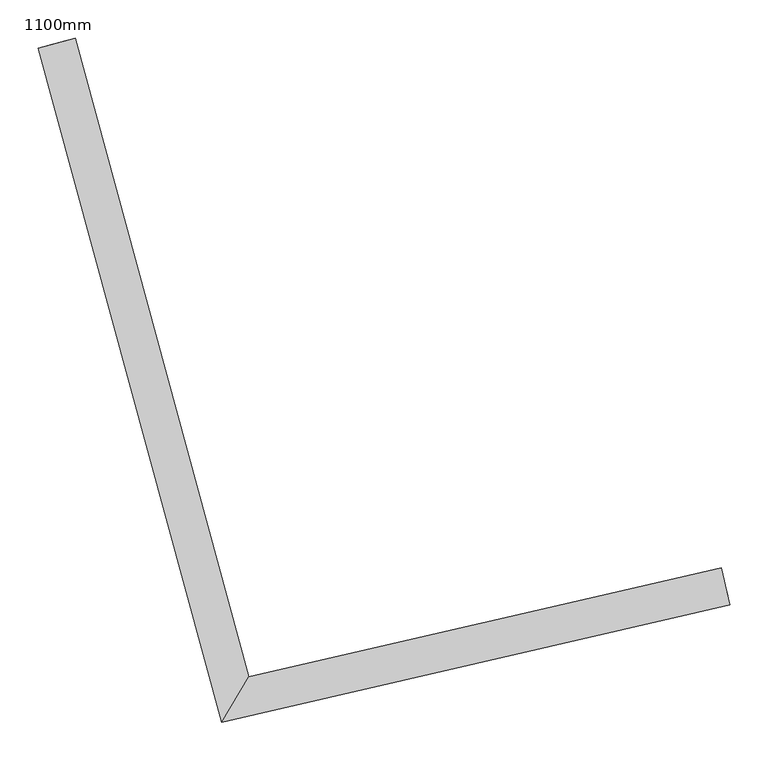
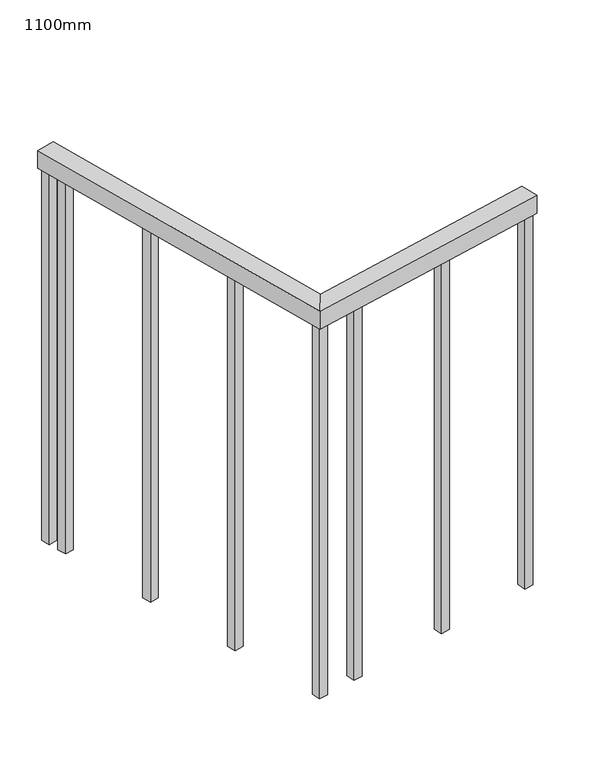
"""IFC4 building model written with IfcOpenShell, lengths in millimetres: railing geometry, 1100mm."""

from ifc_helpers import new_model, si_unit, frame, origin, place, context, project, spatial, polyline, outline, extrude, faceted_brep, source, transform, mapped, element, save


def railing_1100mm_f99bd06a(model_context):
    return source(origin(), model_context, "Body", "SolidModel", [
        faceted_brep([(291933.82722, -50664.8563744, 1700.0), (291945.0747727, -50713.5748777, 1700.0), (291945.0747727, -50713.5748777, 1650.0), (291933.82722, -50664.8563744, 1650.0), (291315.6804749, -50807.5667953, 1700.0), (291280.0500094, -50867.1079418, 1700.0), (291280.0500094, -50867.1079418, 1650.0), (291315.6804749, -50807.5667953, 1650.0), (291088.383786, -49971.3173357, 1700.0), (291088.383786, -49971.3173357, 1650.0), (291040.1343154, -49984.4317775, 1650.0), (291040.1343154, -49984.4317775, 1700.0)], [[[0, 1, 2, 3]], [[1, 0, 4, 5]], [[2, 1, 5, 6]], [[3, 2, 6, 7]], [[0, 3, 7, 4]], [[8, 9, 10, 11]], [[5, 4, 8, 11]], [[6, 5, 11, 10]], [[7, 6, 10, 9]], [[4, 7, 9, 8]]]),
        extrude(outline(polyline([(291096.8179297, -50050.0048606), (291072.6931944, -50056.5620815), (291066.1359735, -50032.4373462), (291090.2607088, -50025.8801253), (291096.8179297, -50050.0048606)])), frame((0.0, 0.0, 600.0), z_axis=(0.0, 0.0, 1.0), x_axis=(1.0, 0.0, 0.0)), (0.0, 0.0, 1.0), 1050.0),
        extrude(outline(polyline([(291168.9473599, -50315.376949), (291144.8226246, -50321.9341699), (291138.2654037, -50297.8094346), (291162.390139, -50291.2522137), (291168.9473599, -50315.376949)])), frame((0.0, 0.0, 600.0), z_axis=(0.0, 0.0, 1.0), x_axis=(1.0, 0.0, 0.0)), (0.0, 0.0, 1.0), 1050.0),
        extrude(outline(polyline([(291241.0767901, -50580.7490374), (291216.9520548, -50587.3062583), (291210.3948338, -50563.181523), (291234.5195691, -50556.6243021), (291241.0767901, -50580.7490374)])), frame((0.0, 0.0, 600.0), z_axis=(0.0, 0.0, 1.0), x_axis=(1.0, 0.0, 0.0)), (0.0, 0.0, 1.0), 1050.0),
        extrude(outline(polyline([(291412.9151983, -50797.947192), (291418.5389747, -50822.3064436), (291394.1797231, -50827.9302199), (291388.5559467, -50803.5709683), (291412.9151983, -50797.947192)])), frame((0.0, 0.0, 600.0), z_axis=(0.0, 0.0, 1.0), x_axis=(1.0, 0.0, 0.0)), (0.0, 0.0, 1.0), 1050.0),
        extrude(outline(polyline([(291680.8669661, -50736.085652), (291686.4907425, -50760.4449036), (291662.1314909, -50766.06868), (291656.5077145, -50741.7094284), (291680.8669661, -50736.085652)])), frame((0.0, 0.0, 600.0), z_axis=(0.0, 0.0, 1.0), x_axis=(1.0, 0.0, 0.0)), (0.0, 0.0, 1.0), 1050.0),
        extrude(outline(polyline([(291307.2329798, -50822.3458546), (291312.8567561, -50846.7051062), (291288.4975045, -50852.3288826), (291282.8737282, -50827.969631), (291307.2329798, -50822.3458546)])), frame((0.0, 0.0, 600.0), z_axis=(0.0, 0.0, 1.0), x_axis=(1.0, 0.0, 0.0)), (0.0, 0.0, 1.0), 1050.0),
        extrude(outline(polyline([(291082.8786393, -49998.7206815), (291058.7539039, -50005.2779024), (291052.196683, -49981.1531671), (291076.3214183, -49974.5959462), (291082.8786393, -49998.7206815)])), frame((0.0, 0.0, 600.0), z_axis=(0.0, 0.0, 1.0), x_axis=(1.0, 0.0, 0.0)), (0.0, 0.0, 1.0), 1050.0),
        extrude(outline(polyline([(291936.6391081, -50677.0360003), (291942.2628845, -50701.3952519), (291917.9036329, -50707.0190282), (291912.2798565, -50682.6597766), (291936.6391081, -50677.0360003)])), frame((0.0, 0.0, 600.0), z_axis=(0.0, 0.0, 1.0), x_axis=(1.0, 0.0, 0.0)), (0.0, 0.0, 1.0), 1050.0),
    ])


if __name__ == "__main__":
    model = new_model("IFC4")
    model_context = context("Model", 3, world=origin())
    ifc_project = project(units=[si_unit("LENGTHUNIT", "METRE", prefix="MILLI")], contexts=[model_context])
    site = spatial("IfcSite", under=ifc_project)
    building = spatial("IfcBuilding", under=site)
    placement = place(None, origin())
    railing_1100mm_shape = railing_1100mm_f99bd06a(model_context)
    element("IfcRailing", 1, ObjectType="1100mm", at=placement, inside=building, context=model_context, shape_type="MappedRepresentation", body=[
        mapped(railing_1100mm_shape, transform((0.0, 0.0, 0.0), x_axis=(1.0, 0.0, 0.0), y_axis=(0.0, 1.0, 0.0), z_axis=(0.0, 0.0, 1.0))),
    ])
    save(model, "model.ifc")
